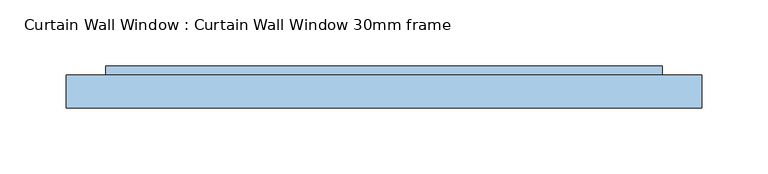
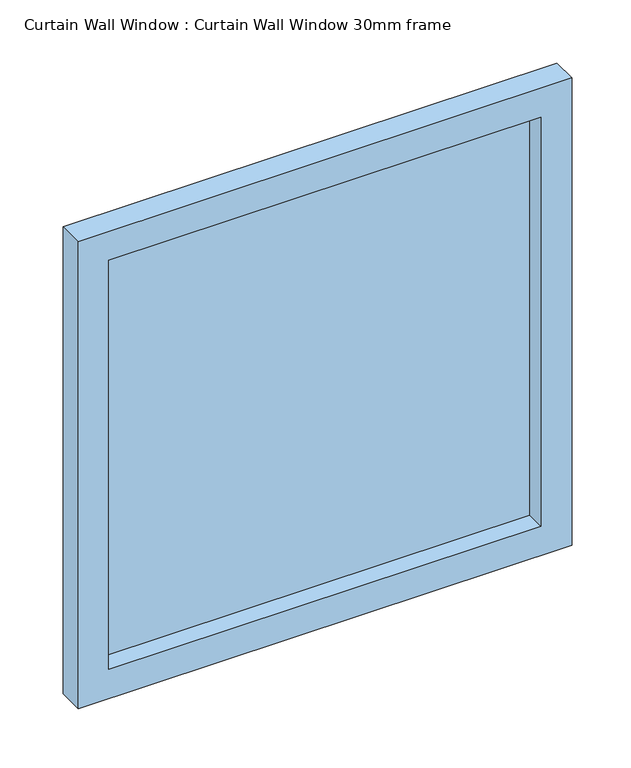
"""IFC4 building model written with IfcOpenShell, lengths in millimetres: window geometry, Curtain Wall Window : Curtain Wall Window 30mm frame."""

from ifc_helpers import new_model, si_unit, frame, origin, place, context, project, spatial, polyline, outline, extrude, source, transform, mapped, element, save


def curtain_wall_window_curtain_wall_window_30mm_frame_7962b6de(model_context):
    return source(origin(), model_context, "Body", "SweptSolid", [
        extrude(outline(polyline([(210.5000002, 19.05), (-210.5000002, 19.05), (-210.5000002, 31.75), (210.5000002, 31.75), (210.5000002, 19.05)])), frame((0.0, 0.0, 30.0), z_axis=(0.0, 0.0, 1.0), x_axis=(1.0, 0.0, 0.0)), (0.0, 0.0, 1.0), 420.9999999),
        extrude(outline(polyline([(480.9999999, -240.5000002), (0.0, -240.5000002), (0.0, 240.5000002), (480.9999999, 240.5000002), (480.9999999, -240.5000002)]), holes=[polyline([(450.9999999, -210.5000002), (450.9999999, 210.5000002), (30.0, 210.5000002), (30.0, -210.5000002), (450.9999999, -210.5000002)])]), frame((0.0, 0.0, 0.0), z_axis=(0.0, 1.0, 0.0), x_axis=(0.0, 0.0, 1.0)), (0.0, 0.0, 1.0), 25.0),
    ])


if __name__ == "__main__":
    model = new_model("IFC4")
    model_context = context("Model", 3, world=origin())
    ifc_project = project(units=[si_unit("LENGTHUNIT", "METRE", prefix="MILLI")], contexts=[model_context])
    site = spatial("IfcSite", under=ifc_project)
    building = spatial("IfcBuilding", under=site)
    placement = place(None, origin())
    curtain_wall_window_curtain_wall_window_30mm_frame_shape = curtain_wall_window_curtain_wall_window_30mm_frame_7962b6de(model_context)
    element("IfcWindow", 1, ObjectType="Curtain Wall Window : Curtain Wall Window 30mm frame", at=placement, inside=building, context=model_context, shape_type="MappedRepresentation", body=[
        mapped(curtain_wall_window_curtain_wall_window_30mm_frame_shape, transform((0.0, 0.0, 0.0), x_axis=(1.0, 0.0, 0.0), y_axis=(0.0, 1.0, 0.0), z_axis=(0.0, 0.0, 1.0))),
    ])
    save(model, "model.ifc")
